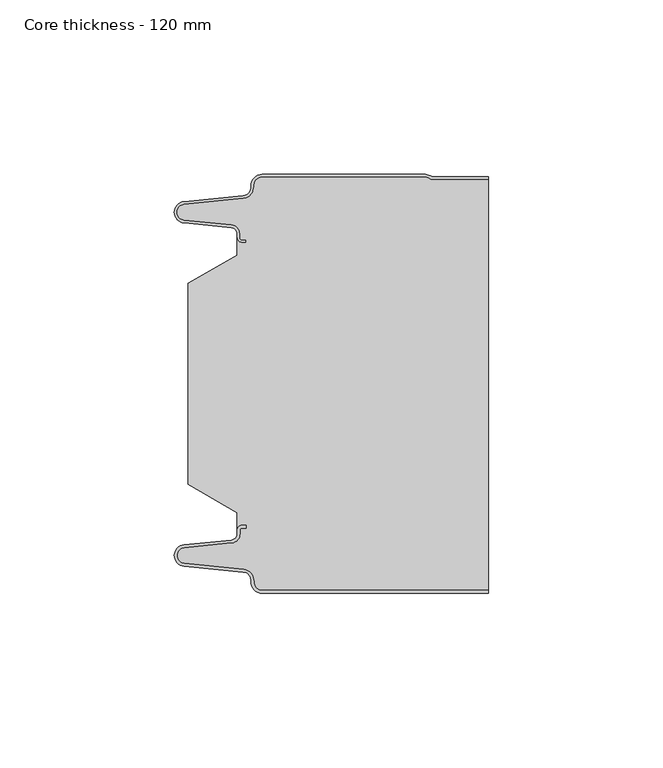
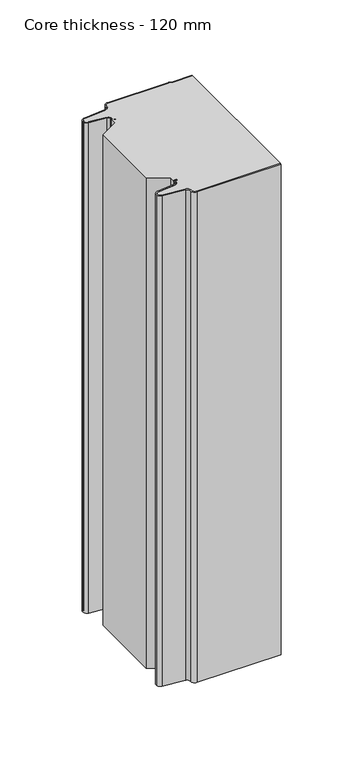
"""IFC4 building model written with IfcOpenShell, lengths in millimetres: plate geometry, Core thickness - 120 mm."""

from ifc_helpers import new_model, si_unit, frame, origin, place, context, project, spatial, polyline, circle_curve, source, transform, mapped, element, save
from ifc_brep_helpers import plane_surface, cylinder_surface, revolved_surface, advanced_brep


def core_thickness_120_mm_5e0bef6f(model_context):
    return source(origin(), model_context, "Body", "AdvancedBrep", [
        advanced_brep(
        [(-19.8000003, -119.9996949, 0.0), (-22.9923632, -116.5787437, 0.0), (-25.2560431, -113.9171154, 0.0), (-42.2115315, -112.2546153, 0.0), (-44.9999998, -109.1776715, 0.0), (-42.2115315, -106.1007278, 0.0), (-28.6195785, -104.7680252, 0.0), (-26.9952277, -102.9766159, 0.0), (-26.9952277, -101.8996949, 0.0), (-25.5952277, -100.4996949, 0.0), (-24.4952277, -100.4996949, 0.0), (-24.4952277, -101.2996949, 0.0), (-25.5952277, -101.2996949, 0.0), (-26.1952277, -101.8996949, 0.0), (-26.1952277, -102.9766159, 0.0), (-28.5415122, -105.5642071, 0.0), (-42.1334652, -106.8969097, 0.0), (-44.1999997, -109.1776715, 0.0), (-42.1334652, -111.4584333, 0.0), (-25.1779767, -113.1209335, 0.0), (-22.2078761, -116.6330399, 0.0), (-19.8000003, -119.1996949, 0.0), (44.9999998, -119.2, 0.0), (44.9999998, -119.9996949, 0.0), (-19.8000003, -119.1996949, 400.0), (-22.1942724, -116.6339815, 400.0), (-25.1779767, -113.1209335, 400.0), (-42.1334652, -111.4584333, 400.0), (-44.1999997, -109.1776715, 400.0), (-42.1334652, -106.8969097, 400.0), (-28.5415122, -105.5642071, 400.0), (-26.1952277, -102.9766159, 400.0), (-26.1952277, -101.8996949, 400.0), (-25.5952277, -101.2996949, 400.0), (-24.4952277, -101.2996949, 400.0), (-24.4952277, -100.4996949, 400.0), (-25.5952277, -100.4996949, 400.0), (-26.9952277, -101.8996949, 400.0), (-26.9952277, -102.9766159, 400.0), (-28.6195785, -104.7680252, 400.0), (-42.2115315, -106.1007278, 400.0), (-44.9999998, -109.1776715, 400.0), (-42.2115315, -112.2546153, 400.0), (-25.2560431, -113.9171154, 400.0), (-23.0059668, -116.5778021, 400.0), (-19.8000003, -119.9996949, 400.0), (44.9999998, -119.9996949, 400.0), (44.9999998, -119.2, 400.0)],
        [
            (0, 1, circle_curve(frame((-19.8000003, -116.7996949, 0.0), z_axis=(0.0, 0.0, -1.0), x_axis=(1.0, 0.0, 0.0)), 3.2)),
            (1, 2, circle_curve(frame((-25.5000003, -116.4051839, 0.0), z_axis=(0.0, 0.0, 1.0), x_axis=(1.0, 0.0, 0.0)), 2.5)),
            (2, 3),
            (3, 4, circle_curve(frame((-41.9100003, -109.1793626, 0.0), z_axis=(0.0, 0.0, -1.0), x_axis=(1.0, 0.0, 0.0)), 3.09)),
            (4, 5, circle_curve(frame((-41.9100003, -109.1759805, 0.0), z_axis=(0.0, 0.0, -1.0), x_axis=(1.0, 0.0, 0.0)), 3.09)),
            (5, 6),
            (6, 7, circle_curve(frame((-28.7952277, -102.9766159, 0.0), z_axis=(0.0, 0.0, 1.0), x_axis=(1.0, 0.0, 0.0)), 1.8)),
            (7, 8),
            (8, 9, circle_curve(frame((-25.5952277, -101.8996949, 0.0), z_axis=(0.0, 0.0, -1.0), x_axis=(1.0, 0.0, 0.0)), 1.4)),
            (9, 10),
            (10, 11),
            (11, 12),
            (12, 13, circle_curve(frame((-25.5952277, -101.8996949, 0.0), z_axis=(0.0, 0.0, 1.0), x_axis=(1.0, 0.0, 0.0)), 0.6)),
            (13, 14),
            (14, 15, circle_curve(frame((-28.7952277, -102.9766159, 0.0), z_axis=(0.0, 0.0, -1.0), x_axis=(1.0, 0.0, 0.0)), 2.6)),
            (15, 16),
            (16, 17, circle_curve(frame((-41.9100003, -109.1759805, 0.0), z_axis=(0.0, 0.0, 1.0), x_axis=(1.0, 0.0, 0.0)), 2.29)),
            (17, 18, circle_curve(frame((-41.9100003, -109.1793626, 0.0), z_axis=(0.0, 0.0, 1.0), x_axis=(1.0, 0.0, 0.0)), 2.29)),
            (18, 19),
            (19, 20, circle_curve(frame((-25.5000003, -116.4051839, 0.0), z_axis=(0.0, 0.0, -1.0), x_axis=(1.0, 0.0, 0.0)), 3.3)),
            (20, 21, circle_curve(frame((-19.8000003, -116.7996949, 0.0), z_axis=(0.0, 0.0, 1.0), x_axis=(1.0, 0.0, 0.0)), 2.4)),
            (21, 22),
            (22, 23),
            (23, 0),
            (24, 25, circle_curve(frame((-19.8000003, -116.7996949, 400.0), z_axis=(0.0, 0.0, -1.0), x_axis=(1.0, 0.0, 0.0)), 2.4)),
            (25, 26, circle_curve(frame((-25.5000003, -116.4051839, 400.0), z_axis=(0.0, 0.0, 1.0), x_axis=(1.0, 0.0, 0.0)), 3.3)),
            (26, 27),
            (27, 28, circle_curve(frame((-41.9100003, -109.1793626, 400.0), z_axis=(0.0, 0.0, -1.0), x_axis=(1.0, 0.0, 0.0)), 2.29)),
            (28, 29, circle_curve(frame((-41.9100003, -109.1759805, 400.0), z_axis=(0.0, 0.0, -1.0), x_axis=(1.0, 0.0, 0.0)), 2.29)),
            (29, 30),
            (30, 31, circle_curve(frame((-28.7952277, -102.9766159, 400.0), z_axis=(0.0, 0.0, 1.0), x_axis=(1.0, 0.0, 0.0)), 2.6)),
            (31, 32),
            (32, 33, circle_curve(frame((-25.5952277, -101.8996949, 400.0), z_axis=(0.0, 0.0, -1.0), x_axis=(1.0, 0.0, 0.0)), 0.6)),
            (33, 34),
            (34, 35),
            (35, 36),
            (36, 37, circle_curve(frame((-25.5952277, -101.8996949, 400.0), z_axis=(0.0, 0.0, 1.0), x_axis=(1.0, 0.0, 0.0)), 1.4)),
            (37, 38),
            (38, 39, circle_curve(frame((-28.7952277, -102.9766159, 400.0), z_axis=(0.0, 0.0, -1.0), x_axis=(1.0, 0.0, 0.0)), 1.8)),
            (39, 40),
            (40, 41, circle_curve(frame((-41.9100003, -109.1759805, 400.0), z_axis=(0.0, 0.0, 1.0), x_axis=(1.0, 0.0, 0.0)), 3.09)),
            (41, 42, circle_curve(frame((-41.9100003, -109.1793626, 400.0), z_axis=(0.0, 0.0, 1.0), x_axis=(1.0, 0.0, 0.0)), 3.09)),
            (42, 43),
            (43, 44, circle_curve(frame((-25.5000003, -116.4051839, 400.0), z_axis=(0.0, 0.0, -1.0), x_axis=(1.0, 0.0, 0.0)), 2.5)),
            (44, 45, circle_curve(frame((-19.8000003, -116.7996949, 400.0), z_axis=(0.0, 0.0, 1.0), x_axis=(1.0, 0.0, 0.0)), 3.2)),
            (45, 46),
            (46, 47),
            (47, 24),
            (21, 24),
            (47, 22),
            (20, 25),
            (19, 26),
            (18, 27),
            (17, 28),
            (16, 29),
            (15, 30),
            (14, 31),
            (13, 32),
            (12, 33),
            (11, 34),
            (10, 35),
            (9, 36),
            (8, 37),
            (7, 38),
            (6, 39),
            (5, 40),
            (4, 41),
            (3, 42),
            (2, 43),
            (1, 44),
            (0, 45),
            (23, 46),
        ],
        [
            plane_surface(frame((-44.9999998, -120.0, 0.0), z_axis=(0.0, 0.0, -1.0), x_axis=(0.0, 1.0, 0.0))),
            plane_surface(frame((-44.9999998, -120.0, 400.0), z_axis=(0.0, 0.0, 1.0), x_axis=(0.0, 1.0, 0.0))),
            plane_surface(frame((-19.8000003, -119.2, 0.0), z_axis=(0.0, 1.0, 0.0), x_axis=(0.0, 0.0, 1.0))),
            revolved_surface(polyline([(-17.400000300000002, -116.7996949, 400.0), (-17.400000300000002, -116.7996949, 0.0)]), (-19.8000003, -116.7996949, 0.0), (0.0, 0.0, 1.0)),
            cylinder_surface(frame((-25.5000003, -116.4051839, 0.0), z_axis=(0.0, 0.0, -1.0), x_axis=(1.0, 0.0, 0.0)), 3.3),
            plane_surface(frame((-42.1334652, -111.4584333, 0.0), z_axis=(0.09758289975914758, 0.9952273999818314, 0.0), x_axis=(0.0, 0.0, 1.0))),
            revolved_surface(polyline([(-39.6200003, -109.1793626, 400.0), (-39.6200003, -109.1793626, 0.0)]), (-41.9100003, -109.1793626, 0.0), (0.0, 0.0, 1.0)),
            revolved_surface(polyline([(-39.6200003, -109.1759805, 400.0), (-39.6200003, -109.1759805, 0.0)]), (-41.9100003, -109.1759805, 0.0), (0.0, 0.0, 1.0)),
            plane_surface(frame((-28.5415122, -105.5642071, 0.0), z_axis=(0.09758289975914383, -0.9952273999818317, 0.0), x_axis=(0.0, 0.0, 1.0))),
            cylinder_surface(frame((-28.7952277, -102.9766159, 0.0), z_axis=(0.0, 0.0, -1.0), x_axis=(1.0, 0.0, 0.0)), 2.6),
            plane_surface(frame((-26.1952277, -101.8996949, 0.0), z_axis=(1.0, 0.0, 0.0), x_axis=(0.0, 0.0, 1.0))),
            revolved_surface(polyline([(-24.995227699999997, -101.8996949, 400.0), (-24.995227699999997, -101.8996949, 0.0)]), (-25.5952277, -101.8996949, 0.0), (0.0, 0.0, 1.0)),
            plane_surface(frame((-24.4952277, -101.2996949, 0.0), z_axis=(0.0, -1.0, 0.0), x_axis=(0.0, 0.0, 1.0))),
            plane_surface(frame((-24.4952277, -100.4996949, 0.0), z_axis=(1.0, 0.0, 0.0), x_axis=(0.0, 0.0, 1.0))),
            plane_surface(frame((-25.5952277, -100.4996949, 0.0), z_axis=(0.0, 1.0, 0.0), x_axis=(0.0, 0.0, 1.0))),
            cylinder_surface(frame((-25.5952277, -101.8996949, 0.0), z_axis=(0.0, 0.0, -1.0), x_axis=(1.0, 0.0, 0.0)), 1.4),
            plane_surface(frame((-26.9952277, -102.9766159, 0.0), z_axis=(-1.0, 0.0, 0.0), x_axis=(0.0, 0.0, 1.0))),
            revolved_surface(polyline([(-26.9952277, -102.9766159, 400.0), (-26.9952277, -102.9766159, 0.0)]), (-28.7952277, -102.9766159, 0.0), (0.0, 0.0, 1.0)),
            plane_surface(frame((-42.2115315, -106.1007278, 0.0), z_axis=(-0.09758289975914387, 0.9952273999818317, 0.0), x_axis=(0.0, 0.0, 1.0))),
            cylinder_surface(frame((-41.9100003, -109.1759805, 0.0), z_axis=(0.0, 0.0, -1.0), x_axis=(1.0, 0.0, 0.0)), 3.09),
            cylinder_surface(frame((-41.9100003, -109.1793626, 0.0), z_axis=(0.0, 0.0, -1.0), x_axis=(1.0, 0.0, 0.0)), 3.09),
            plane_surface(frame((-25.2560431, -113.9171154, 0.0), z_axis=(-0.09758289975914762, -0.9952273999818314, 0.0), x_axis=(0.0, 0.0, 1.0))),
            revolved_surface(polyline([(-23.0000003, -116.4051839, 400.0), (-23.0000003, -116.4051839, 0.0)]), (-25.5000003, -116.4051839, 0.0), (0.0, 0.0, 1.0)),
            cylinder_surface(frame((-19.8000003, -116.7996949, 0.0), z_axis=(0.0, 0.0, -1.0), x_axis=(1.0, 0.0, 0.0)), 3.2),
            plane_surface(frame((1121.009932, -119.9996949, 0.0), z_axis=(0.0, -1.0, 0.0), x_axis=(0.0, 0.0, 1.0))),
            plane_surface(frame((44.9999998, 180.0, 400.0), z_axis=(1.0, 0.0, 0.0), x_axis=(0.0, 0.0, -1.0))),
        ],
        [
            (0, [[1, 2, 3, 4, 5, 6, 7, 8, 9, 10, 11, 12, 13, 14, 15, 16, 17, 18, 19, 20, 21, 22, 23, 24]]),
            (1, [[25, 26, 27, 28, 29, 30, 31, 32, 33, 34, 35, 36, 37, 38, 39, 40, 41, 42, 43, 44, 45, 46, 47, 48]]),
            (2, [[49, -48, 50, -22]]),
            (3, [[-21, 51, -25, -49]]),
            (4, [[-20, 52, -26, -51]]),
            (5, [[-19, 53, -27, -52]]),
            (6, [[-18, 54, -28, -53]]),
            (7, [[-17, 55, -29, -54]]),
            (8, [[-16, 56, -30, -55]]),
            (9, [[-15, 57, -31, -56]]),
            (10, [[-14, 58, -32, -57]]),
            (11, [[-13, 59, -33, -58]]),
            (12, [[-12, 60, -34, -59]]),
            (13, [[-11, 61, -35, -60]]),
            (14, [[-10, 62, -36, -61]]),
            (15, [[-9, 63, -37, -62]]),
            (16, [[-8, 64, -38, -63]]),
            (17, [[-7, 65, -39, -64]]),
            (18, [[-6, 66, -40, -65]]),
            (19, [[-5, 67, -41, -66]]),
            (20, [[-4, 68, -42, -67]]),
            (21, [[-3, 69, -43, -68]]),
            (22, [[-2, 70, -44, -69]]),
            (23, [[-1, 71, -45, -70]]),
            (24, [[-71, -24, 72, -46]]),
            (25, [[-23, -50, -47, -72]]),
        ],
    ),
        advanced_brep(
        [(-26.9952277, -23.1062917, 400.0), (-41.0446509, -31.1628062, 400.0), (-41.0446509, -88.7531937, 400.0), (-26.9952277, -96.8937083, 400.0), (-26.9952277, -100.4996949, 400.0), (-26.9952277, -101.8996949, 400.0), (-25.5952277, -100.4996949, 400.0), (-24.4952277, -100.4996949, 400.0), (-24.4952277, -101.2996949, 400.0), (-25.5952277, -101.2996949, 400.0), (-26.1952277, -101.8996949, 400.0), (-26.1952277, -102.9766159, 400.0), (-28.5415122, -105.5642071, 400.0), (-42.1334652, -106.8969097, 400.0), (-44.1999997, -109.1776715, 400.0), (-42.1334652, -111.4584333, 400.0), (-25.1779767, -113.1209335, 400.0), (-22.2078761, -116.6330399, 400.0), (-19.8000003, -119.1996949, 400.0), (44.9999998, -119.2, 400.0), (44.9999998, -1.5003051, 400.0), (29.4172165, -1.5003051, 400.0), (27.9978051, -1.0971009, 400.0), (26.9454197, -0.8, 400.0), (-19.8000003, -0.8, 400.0), (-22.1942724, -3.3660185, 400.0), (-25.1779767, -6.8790665, 400.0), (-42.1334652, -8.5415667, 400.0), (-44.1999997, -10.8223285, 400.0), (-42.1334652, -13.1030903, 400.0), (-28.5415122, -14.4357929, 400.0), (-26.1952277, -17.0233841, 400.0), (-26.1952277, -18.1003051, 400.0), (-25.5952277, -18.7003051, 400.0), (-24.4952277, -18.7003051, 400.0), (-24.4952277, -19.5003051, 400.0), (-25.5952277, -19.5003051, 400.0), (-26.9952277, -18.1003051, 400.0), (-26.9952277, -19.5003051, 400.0), (-26.9952277, -96.8937083, 0.0), (-41.0446509, -88.7531937, 0.0), (-41.0446509, -31.1628062, 0.0), (-26.9952277, -23.1062917, 0.0), (-26.9952277, -19.5003051, 0.0), (-26.9952277, -18.1003051, 0.0), (-25.5952277, -19.5003051, 0.0), (-24.4952277, -19.5003051, 0.0), (-24.4952277, -18.7003051, 0.0), (-25.5952277, -18.7003051, 0.0), (-26.1952277, -18.1003051, 0.0), (-26.1952277, -17.0233841, 0.0), (-28.5415122, -14.4357929, 0.0), (-42.1334652, -13.1030903, 0.0), (-44.1999997, -10.8223285, 0.0), (-42.1334652, -8.5415667, 0.0), (-25.1779767, -6.8790665, 0.0), (-22.2078761, -3.3669601, 0.0), (-19.8000003, -0.8003051, 0.0), (26.9454197, -0.8, 0.0), (27.9968355, -1.0986697, 0.0), (29.4172165, -1.5003051, 0.0), (44.9999998, -1.5003051, 0.0), (44.9999998, -119.2, 0.0), (-19.8000003, -119.2, 0.0), (-22.1942724, -116.6339815, 0.0), (-25.1779767, -113.1209335, 0.0), (-42.1334652, -111.4584333, 0.0), (-44.1999997, -109.1776715, 0.0), (-42.1334652, -106.8969097, 0.0), (-28.5415122, -105.5642071, 0.0), (-26.1952277, -102.9766159, 0.0), (-26.1952277, -101.8996949, 0.0), (-25.5952277, -101.2996949, 0.0), (-24.4952277, -101.2996949, 0.0), (-24.4952277, -100.4996949, 0.0), (-25.5952277, -100.4996949, 0.0), (-26.9952277, -101.8996949, 0.0), (-26.9952277, -100.4996949, 0.0)],
        [
            (0, 1),
            (1, 2),
            (2, 3),
            (3, 4),
            (4, 5),
            (5, 6, circle_curve(frame((-25.5952277, -101.8996949, 400.0), z_axis=(0.0, 0.0, -1.0), x_axis=(1.0, 0.0, 0.0)), 1.4)),
            (6, 7),
            (7, 8),
            (8, 9),
            (9, 10, circle_curve(frame((-25.5952277, -101.8996949, 400.0), z_axis=(0.0, 0.0, 1.0), x_axis=(1.0, 0.0, 0.0)), 0.6)),
            (10, 11),
            (11, 12, circle_curve(frame((-28.7952277, -102.9766159, 400.0), z_axis=(0.0, 0.0, -1.0), x_axis=(1.0, 0.0, 0.0)), 2.6)),
            (12, 13),
            (13, 14, circle_curve(frame((-41.9100003, -109.1759805, 400.0), z_axis=(0.0, 0.0, 1.0), x_axis=(1.0, 0.0, 0.0)), 2.29)),
            (14, 15, circle_curve(frame((-41.9100003, -109.1793626, 400.0), z_axis=(0.0, 0.0, 1.0), x_axis=(1.0, 0.0, 0.0)), 2.29)),
            (15, 16),
            (16, 17, circle_curve(frame((-25.5000003, -116.4051839, 400.0), z_axis=(0.0, 0.0, -1.0), x_axis=(1.0, 0.0, 0.0)), 3.3)),
            (17, 18, circle_curve(frame((-19.8000003, -116.7996949, 400.0), z_axis=(0.0, 0.0, 1.0), x_axis=(1.0, 0.0, 0.0)), 2.4)),
            (18, 19),
            (19, 20),
            (20, 21),
            (21, 22, circle_curve(frame((29.4172165, 1.1996949, 400.0), z_axis=(0.0, 0.0, -1.0), x_axis=(1.0, 0.0, 0.0)), 2.7)),
            (22, 23, circle_curve(frame((26.9454197, -2.8, 400.0), z_axis=(0.0, 0.0, 1.0), x_axis=(1.0, 0.0, 0.0)), 2.0)),
            (23, 24),
            (24, 25, circle_curve(frame((-19.8000003, -3.2003051, 400.0), z_axis=(0.0, 0.0, 1.0), x_axis=(1.0, 0.0, 0.0)), 2.4)),
            (25, 26, circle_curve(frame((-25.5000003, -3.5948161, 400.0), z_axis=(0.0, 0.0, -1.0), x_axis=(1.0, 0.0, 0.0)), 3.3)),
            (26, 27),
            (27, 28, circle_curve(frame((-41.9100003, -10.8206374, 400.0), z_axis=(0.0, 0.0, 1.0), x_axis=(1.0, 0.0, 0.0)), 2.29)),
            (28, 29, circle_curve(frame((-41.9100003, -10.8240195, 400.0), z_axis=(0.0, 0.0, 1.0), x_axis=(1.0, 0.0, 0.0)), 2.29)),
            (29, 30),
            (30, 31, circle_curve(frame((-28.7952277, -17.0233841, 400.0), z_axis=(0.0, 0.0, -1.0), x_axis=(1.0, 0.0, 0.0)), 2.6)),
            (31, 32),
            (32, 33, circle_curve(frame((-25.5952277, -18.1003051, 400.0), z_axis=(0.0, 0.0, 1.0), x_axis=(1.0, 0.0, 0.0)), 0.6)),
            (33, 34),
            (34, 35),
            (35, 36),
            (36, 37, circle_curve(frame((-25.5952277, -18.1003051, 400.0), z_axis=(0.0, 0.0, -1.0), x_axis=(1.0, 0.0, 0.0)), 1.4)),
            (37, 38),
            (38, 0),
            (39, 40),
            (40, 41),
            (41, 42),
            (42, 43),
            (43, 44),
            (44, 45, circle_curve(frame((-25.5952277, -18.1003051, 0.0), z_axis=(0.0, 0.0, 1.0), x_axis=(1.0, 0.0, 0.0)), 1.4)),
            (45, 46),
            (46, 47),
            (47, 48),
            (48, 49, circle_curve(frame((-25.5952277, -18.1003051, 0.0), z_axis=(0.0, 0.0, -1.0), x_axis=(1.0, 0.0, 0.0)), 0.6)),
            (49, 50),
            (50, 51, circle_curve(frame((-28.7952277, -17.0233841, 0.0), z_axis=(0.0, 0.0, 1.0), x_axis=(1.0, 0.0, 0.0)), 2.6)),
            (51, 52),
            (52, 53, circle_curve(frame((-41.9100003, -10.8240195, 0.0), z_axis=(0.0, 0.0, -1.0), x_axis=(1.0, 0.0, 0.0)), 2.29)),
            (53, 54, circle_curve(frame((-41.9100003, -10.8206374, 0.0), z_axis=(0.0, 0.0, -1.0), x_axis=(1.0, 0.0, 0.0)), 2.29)),
            (54, 55),
            (55, 56, circle_curve(frame((-25.5000003, -3.5948161, 0.0), z_axis=(0.0, 0.0, 1.0), x_axis=(1.0, 0.0, 0.0)), 3.3)),
            (56, 57, circle_curve(frame((-19.8000003, -3.2003051, 0.0), z_axis=(0.0, 0.0, -1.0), x_axis=(1.0, 0.0, 0.0)), 2.4)),
            (57, 58),
            (58, 59, circle_curve(frame((26.9454197, -2.8, 0.0), z_axis=(0.0, 0.0, -1.0), x_axis=(1.0, 0.0, 0.0)), 2.0)),
            (59, 60, circle_curve(frame((29.4172165, 1.1996949, 0.0), z_axis=(0.0, 0.0, 1.0), x_axis=(1.0, 0.0, 0.0)), 2.7)),
            (60, 61),
            (61, 62),
            (62, 63),
            (63, 64, circle_curve(frame((-19.8000003, -116.7996949, 0.0), z_axis=(0.0, 0.0, -1.0), x_axis=(1.0, 0.0, 0.0)), 2.4)),
            (64, 65, circle_curve(frame((-25.5000003, -116.4051839, 0.0), z_axis=(0.0, 0.0, 1.0), x_axis=(1.0, 0.0, 0.0)), 3.3)),
            (65, 66),
            (66, 67, circle_curve(frame((-41.9100003, -109.1793626, 0.0), z_axis=(0.0, 0.0, -1.0), x_axis=(1.0, 0.0, 0.0)), 2.29)),
            (67, 68, circle_curve(frame((-41.9100003, -109.1759805, 0.0), z_axis=(0.0, 0.0, -1.0), x_axis=(1.0, 0.0, 0.0)), 2.29)),
            (68, 69),
            (69, 70, circle_curve(frame((-28.7952277, -102.9766159, 0.0), z_axis=(0.0, 0.0, 1.0), x_axis=(1.0, 0.0, 0.0)), 2.6)),
            (70, 71),
            (71, 72, circle_curve(frame((-25.5952277, -101.8996949, 0.0), z_axis=(0.0, 0.0, -1.0), x_axis=(1.0, 0.0, 0.0)), 0.6)),
            (72, 73),
            (73, 74),
            (74, 75),
            (75, 76, circle_curve(frame((-25.5952277, -101.8996949, 0.0), z_axis=(0.0, 0.0, 1.0), x_axis=(1.0, 0.0, 0.0)), 1.4)),
            (76, 77),
            (77, 39),
            (42, 0),
            (37, 44),
            (1, 41),
            (40, 2),
            (39, 3),
            (76, 5),
            (18, 63),
            (62, 19),
            (17, 64),
            (16, 65),
            (15, 66),
            (14, 67),
            (13, 68),
            (12, 69),
            (11, 70),
            (10, 71),
            (9, 72),
            (8, 73),
            (7, 74),
            (6, 75),
            (57, 24),
            (23, 58),
            (22, 59),
            (21, 60),
            (20, 61),
            (36, 45),
            (35, 46),
            (34, 47),
            (33, 48),
            (32, 49),
            (31, 50),
            (30, 51),
            (29, 52),
            (28, 53),
            (27, 54),
            (26, 55),
            (25, 56),
        ],
        [
            plane_surface(frame((-44.9999998, 0.0, 400.0), z_axis=(0.0, 0.0, 1.0), x_axis=(0.0, -1.0, 0.0))),
            plane_surface(frame((-44.9999998, 0.0, 0.0), z_axis=(0.0, 0.0, -1.0), x_axis=(0.0, -1.0, 0.0))),
            plane_surface(frame((-26.9952277, -17.0229218, 400.0), z_axis=(-1.0, 0.0, 0.0), x_axis=(0.0, 0.0, -1.0))),
            plane_surface(frame((-41.0446509, -31.1628062, 400.0), z_axis=(-1.0, 0.0, 0.0), x_axis=(0.0, 0.0, -1.0))),
            plane_surface(frame((-26.9952277, -23.1062917, 400.0), z_axis=(-0.4974543664933155, 0.8674901459133322, 0.0), x_axis=(0.0, 0.0, -1.0))),
            plane_surface(frame((-41.0446509, -88.7531937, 400.0), z_axis=(-0.5013424225369607, -0.8652489672717164, 0.0), x_axis=(0.0, 0.0, -1.0))),
            plane_surface(frame((-26.9952277, -96.8937083, 400.0), z_axis=(-1.0, 0.0, 0.0), x_axis=(0.0, 0.0, -1.0))),
            plane_surface(frame((1121.009932, -119.2, 530.0), z_axis=(0.0, -1.0, 0.0), x_axis=(0.0, 0.0, -1.0))),
            cylinder_surface(frame((-19.8000003, -116.7996949, 530.0), z_axis=(0.0, 0.0, -1.0), x_axis=(1.0, 0.0, 0.0)), 2.4),
            revolved_surface(polyline([(-22.2000003, -116.4051839, 400.0), (-22.2000003, -116.4051839, 0.0)]), (-25.5000003, -116.4051839, 530.0), (0.0, 0.0, 1.0)),
            plane_surface(frame((-25.1779767, -113.1209335, 530.0), z_axis=(-0.09758289975914758, -0.9952273999818314, 0.0), x_axis=(0.0, 0.0, -1.0))),
            cylinder_surface(frame((-41.9100003, -109.1793626, 530.0), z_axis=(0.0, 0.0, -1.0), x_axis=(1.0, 0.0, 0.0)), 2.29),
            cylinder_surface(frame((-41.9100003, -109.1759805, 530.0), z_axis=(0.0, 0.0, -1.0), x_axis=(1.0, 0.0, 0.0)), 2.29),
            plane_surface(frame((-42.1334652, -106.8969097, 530.0), z_axis=(-0.09758289975914383, 0.9952273999818317, 0.0), x_axis=(0.0, 0.0, -1.0))),
            revolved_surface(polyline([(-26.1952277, -102.9766159, 400.0), (-26.1952277, -102.9766159, 0.0)]), (-28.7952277, -102.9766159, 530.0), (0.0, 0.0, 1.0)),
            plane_surface(frame((-26.1952277, -102.9766159, 530.0), z_axis=(-1.0, 0.0, 0.0), x_axis=(0.0, 0.0, -1.0))),
            cylinder_surface(frame((-25.5952277, -101.8996949, 530.0), z_axis=(0.0, 0.0, -1.0), x_axis=(1.0, 0.0, 0.0)), 0.6),
            plane_surface(frame((-25.5952277, -101.2996949, 530.0), z_axis=(0.0, 1.0, 0.0), x_axis=(0.0, 0.0, -1.0))),
            plane_surface(frame((-24.4952277, -101.2996949, 530.0), z_axis=(-1.0, 0.0, 0.0), x_axis=(0.0, 0.0, -1.0))),
            plane_surface(frame((-24.4952277, -100.4996949, 530.0), z_axis=(0.0, -1.0, 0.0), x_axis=(0.0, 0.0, -1.0))),
            revolved_surface(polyline([(-24.1952277, -101.8996949, 400.0), (-24.1952277, -101.8996949, 0.0)]), (-25.5952277, -101.8996949, 530.0), (0.0, 0.0, 1.0)),
            plane_surface(frame((-19.8000003, -0.8, 530.0), z_axis=(0.0, 1.0, 0.0), x_axis=(0.0, 0.0, -1.0))),
            cylinder_surface(frame((26.9454197, -2.8, 530.0), z_axis=(0.0, 0.0, -1.0), x_axis=(1.0, 0.0, 0.0)), 2.0),
            revolved_surface(polyline([(32.1172165, 1.1996949, 400.0), (32.1172165, 1.1996949, 0.0)]), (29.4172165, 1.1996949, 530.0), (0.0, 0.0, 1.0)),
            plane_surface(frame((29.4172165, -1.5003051, 530.0), z_axis=(0.0, 1.0, 0.0), x_axis=(0.0, 0.0, -1.0))),
            revolved_surface(polyline([(-24.1952277, -18.1003051, 400.0), (-24.1952277, -18.1003051, 0.0)]), (-25.5952277, -18.1003051, 530.0), (0.0, 0.0, 1.0)),
            plane_surface(frame((-25.5952277, -19.5003051, 530.0), z_axis=(0.0, 1.0, 0.0), x_axis=(0.0, 0.0, -1.0))),
            plane_surface(frame((-24.4952277, -19.5003051, 530.0), z_axis=(-1.0, 0.0, 0.0), x_axis=(0.0, 0.0, -1.0))),
            plane_surface(frame((-24.4952277, -18.7003051, 530.0), z_axis=(0.0, -1.0, 0.0), x_axis=(0.0, 0.0, -1.0))),
            cylinder_surface(frame((-25.5952277, -18.1003051, 530.0), z_axis=(0.0, 0.0, -1.0), x_axis=(1.0, 0.0, 0.0)), 0.6),
            plane_surface(frame((-26.1952277, -18.1003051, 530.0), z_axis=(-1.0, 0.0, 0.0), x_axis=(0.0, 0.0, -1.0))),
            revolved_surface(polyline([(-26.1952277, -17.0233841, 400.0), (-26.1952277, -17.0233841, 0.0)]), (-28.7952277, -17.0233841, 530.0), (0.0, 0.0, 1.0)),
            plane_surface(frame((-28.5415122, -14.4357929, 530.0), z_axis=(-0.09758289975914705, -0.9952273999818314, 0.0), x_axis=(0.0, 0.0, -1.0))),
            cylinder_surface(frame((-41.9100003, -10.8240195, 530.0), z_axis=(0.0, 0.0, -1.0), x_axis=(1.0, 0.0, 0.0)), 2.29),
            cylinder_surface(frame((-41.9100003, -10.8206374, 530.0), z_axis=(0.0, 0.0, -1.0), x_axis=(1.0, 0.0, 0.0)), 2.29),
            plane_surface(frame((-42.1334652, -8.5415667, 530.0), z_axis=(-0.09758289975914436, 0.9952273999818317, 0.0), x_axis=(0.0, 0.0, -1.0))),
            revolved_surface(polyline([(-22.2000003, -3.5948161, 400.0), (-22.2000003, -3.5948161, 0.0)]), (-25.5000003, -3.5948161, 530.0), (0.0, 0.0, 1.0)),
            cylinder_surface(frame((-19.8000003, -3.2003051, 530.0), z_axis=(0.0, 0.0, -1.0), x_axis=(1.0, 0.0, 0.0)), 2.4),
            plane_surface(frame((44.9999998, 180.0, 400.0), z_axis=(1.0, 0.0, 0.0), x_axis=(0.0, 0.0, -1.0))),
        ],
        [
            (0, [[1, 2, 3, 4, 5, 6, 7, 8, 9, 10, 11, 12, 13, 14, 15, 16, 17, 18, 19, 20, 21, 22, 23, 24, 25, 26, 27, 28, 29, 30, 31, 32, 33, 34, 35, 36, 37, 38, 39]]),
            (1, [[40, 41, 42, 43, 44, 45, 46, 47, 48, 49, 50, 51, 52, 53, 54, 55, 56, 57, 58, 59, 60, 61, 62, 63, 64, 65, 66, 67, 68, 69, 70, 71, 72, 73, 74, 75, 76, 77, 78]]),
            (2, [[79, -39, -38, 80, -44, -43]]),
            (3, [[-2, 81, -41, 82]]),
            (4, [[-1, -79, -42, -81]]),
            (5, [[-3, -82, -40, 83]]),
            (6, [[-83, -78, -77, 84, -5, -4]]),
            (7, [[85, -63, 86, -19]]),
            (8, [[-85, -18, 87, -64]]),
            (9, [[-87, -17, 88, -65]]),
            (10, [[-88, -16, 89, -66]]),
            (11, [[-89, -15, 90, -67]]),
            (12, [[-90, -14, 91, -68]]),
            (13, [[-91, -13, 92, -69]]),
            (14, [[-92, -12, 93, -70]]),
            (15, [[-93, -11, 94, -71]]),
            (16, [[-94, -10, 95, -72]]),
            (17, [[-95, -9, 96, -73]]),
            (18, [[-96, -8, 97, -74]]),
            (19, [[-97, -7, 98, -75]]),
            (20, [[-98, -6, -84, -76]]),
            (21, [[99, -24, 100, -58]]),
            (22, [[-100, -23, 101, -59]]),
            (23, [[-101, -22, 102, -60]]),
            (24, [[-102, -21, 103, -61]]),
            (25, [[104, -45, -80, -37]]),
            (26, [[-104, -36, 105, -46]]),
            (27, [[-105, -35, 106, -47]]),
            (28, [[-106, -34, 107, -48]]),
            (29, [[-107, -33, 108, -49]]),
            (30, [[-108, -32, 109, -50]]),
            (31, [[-109, -31, 110, -51]]),
            (32, [[-110, -30, 111, -52]]),
            (33, [[-111, -29, 112, -53]]),
            (34, [[-112, -28, 113, -54]]),
            (35, [[-113, -27, 114, -55]]),
            (36, [[-114, -26, 115, -56]]),
            (37, [[-99, -57, -115, -25]]),
            (38, [[-86, -62, -103, -20]]),
        ],
    ),
        advanced_brep(
        [(27.9968355, -1.0986697, 0.0), (26.9454197, -0.8, 0.0), (-19.8000003, -0.8, 0.0), (-22.1942724, -3.3660185, 0.0), (-25.1779767, -6.8790665, 0.0), (-42.1334652, -8.5415667, 0.0), (-44.1999997, -10.8223285, 0.0), (-42.1334652, -13.1030903, 0.0), (-28.5415122, -14.4357929, 0.0), (-26.1952277, -17.0233841, 0.0), (-26.1952277, -18.1003051, 0.0), (-25.5952277, -18.7003051, 0.0), (-24.4952277, -18.7003051, 0.0), (-24.4952277, -19.5003051, 0.0), (-25.5952277, -19.5003051, 0.0), (-26.9952277, -18.1003051, 0.0), (-26.9952277, -17.0233841, 0.0), (-28.6195785, -15.2319748, 0.0), (-42.2115315, -13.8992722, 0.0), (-44.9999998, -10.8223285, 0.0), (-42.2115315, -7.7453847, 0.0), (-25.2560431, -6.0828846, 0.0), (-23.0059668, -3.4221979, 0.0), (-19.8000003, -0.0003051, 0.0), (26.9454197, -0.0003051, 0.0), (28.3647528, -0.4034608, 0.0), (29.4172165, -0.7003051, 0.0), (44.9999998, -0.7003051, 0.0), (44.9999998, -1.5003051, 0.0), (29.4172165, -1.5003051, 0.0), (27.9978051, -1.0971009, 400.0), (29.4172165, -1.5003051, 400.0), (44.9999998, -1.5003051, 400.0), (44.9999998, -0.7003051, 400.0), (29.4172165, -0.7003051, 400.0), (28.3658586, -0.4016712, 400.0), (26.9454197, -0.0003051, 400.0), (-19.8000003, -0.0003051, 400.0), (-22.9923632, -3.4212563, 400.0), (-25.2560431, -6.0828846, 400.0), (-42.2115315, -7.7453847, 400.0), (-44.9999998, -10.8223285, 400.0), (-42.2115315, -13.8992722, 400.0), (-28.6195785, -15.2319748, 400.0), (-26.9952277, -17.0233841, 400.0), (-26.9952277, -18.1003051, 400.0), (-25.5952277, -19.5003051, 400.0), (-24.4952277, -19.5003051, 400.0), (-24.4952277, -18.7003051, 400.0), (-25.5952277, -18.7003051, 400.0), (-26.1952277, -18.1003051, 400.0), (-26.1952277, -17.0233841, 400.0), (-28.5415122, -14.4357929, 400.0), (-42.1334652, -13.1030903, 400.0), (-44.1999997, -10.8223285, 400.0), (-42.1334652, -8.5415667, 400.0), (-25.1779767, -6.8790665, 400.0), (-22.2078761, -3.3669601, 400.0), (-19.8000003, -0.8003051, 400.0), (26.9454197, -0.8, 400.0)],
        [
            (0, 1, circle_curve(frame((26.9454197, -2.8, 0.0), z_axis=(0.0, 0.0, 1.0), x_axis=(1.0, 0.0, 0.0)), 2.0)),
            (1, 2),
            (2, 3, circle_curve(frame((-19.8000003, -3.2003051, 0.0), z_axis=(0.0, 0.0, 1.0), x_axis=(1.0, 0.0, 0.0)), 2.4)),
            (3, 4, circle_curve(frame((-25.5000003, -3.5948161, 0.0), z_axis=(0.0, 0.0, -1.0), x_axis=(1.0, 0.0, 0.0)), 3.3)),
            (4, 5),
            (5, 6, circle_curve(frame((-41.9100003, -10.8206374, 0.0), z_axis=(0.0, 0.0, 1.0), x_axis=(1.0, 0.0, 0.0)), 2.29)),
            (6, 7, circle_curve(frame((-41.9100003, -10.8240195, 0.0), z_axis=(0.0, 0.0, 1.0), x_axis=(1.0, 0.0, 0.0)), 2.29)),
            (7, 8),
            (8, 9, circle_curve(frame((-28.7952277, -17.0233841, 0.0), z_axis=(0.0, 0.0, -1.0), x_axis=(1.0, 0.0, 0.0)), 2.6)),
            (9, 10),
            (10, 11, circle_curve(frame((-25.5952277, -18.1003051, 0.0), z_axis=(0.0, 0.0, 1.0), x_axis=(1.0, 0.0, 0.0)), 0.6)),
            (11, 12),
            (12, 13),
            (13, 14),
            (14, 15, circle_curve(frame((-25.5952277, -18.1003051, 0.0), z_axis=(0.0, 0.0, -1.0), x_axis=(1.0, 0.0, 0.0)), 1.4)),
            (15, 16),
            (16, 17, circle_curve(frame((-28.7952277, -17.0233841, 0.0), z_axis=(0.0, 0.0, 1.0), x_axis=(1.0, 0.0, 0.0)), 1.8)),
            (17, 18),
            (18, 19, circle_curve(frame((-41.9100003, -10.8240195, 0.0), z_axis=(0.0, 0.0, -1.0), x_axis=(1.0, 0.0, 0.0)), 3.09)),
            (19, 20, circle_curve(frame((-41.9100003, -10.8206374, 0.0), z_axis=(0.0, 0.0, -1.0), x_axis=(1.0, 0.0, 0.0)), 3.09)),
            (20, 21),
            (21, 22, circle_curve(frame((-25.5000003, -3.5948161, 0.0), z_axis=(0.0, 0.0, 1.0), x_axis=(1.0, 0.0, 0.0)), 2.5)),
            (22, 23, circle_curve(frame((-19.8000003, -3.2003051, 0.0), z_axis=(0.0, 0.0, -1.0), x_axis=(1.0, 0.0, 0.0)), 3.2)),
            (23, 24),
            (24, 25, circle_curve(frame((26.9454197, -2.7003051, 0.0), z_axis=(0.0, 0.0, -1.0), x_axis=(1.0, 0.0, 0.0)), 2.7)),
            (25, 26, circle_curve(frame((29.4172165, 1.2996949, 0.0), z_axis=(0.0, 0.0, 1.0), x_axis=(1.0, 0.0, 0.0)), 2.0)),
            (26, 27),
            (27, 28),
            (28, 29),
            (29, 0, circle_curve(frame((29.4172165, 1.1996949, 0.0), z_axis=(0.0, 0.0, -1.0), x_axis=(1.0, 0.0, 0.0)), 2.7)),
            (30, 31, circle_curve(frame((29.4172165, 1.1996949, 400.0), z_axis=(0.0, 0.0, 1.0), x_axis=(1.0, 0.0, 0.0)), 2.7)),
            (31, 32),
            (32, 33),
            (33, 34),
            (34, 35, circle_curve(frame((29.4172165, 1.2996949, 400.0), z_axis=(0.0, 0.0, -1.0), x_axis=(1.0, 0.0, 0.0)), 2.0)),
            (35, 36, circle_curve(frame((26.9454197, -2.7003051, 400.0), z_axis=(0.0, 0.0, 1.0), x_axis=(1.0, 0.0, 0.0)), 2.7)),
            (36, 37),
            (37, 38, circle_curve(frame((-19.8000003, -3.2003051, 400.0), z_axis=(0.0, 0.0, 1.0), x_axis=(1.0, 0.0, 0.0)), 3.2)),
            (38, 39, circle_curve(frame((-25.5000003, -3.5948161, 400.0), z_axis=(0.0, 0.0, -1.0), x_axis=(1.0, 0.0, 0.0)), 2.5)),
            (39, 40),
            (40, 41, circle_curve(frame((-41.9100003, -10.8206374, 400.0), z_axis=(0.0, 0.0, 1.0), x_axis=(1.0, 0.0, 0.0)), 3.09)),
            (41, 42, circle_curve(frame((-41.9100003, -10.8240195, 400.0), z_axis=(0.0, 0.0, 1.0), x_axis=(1.0, 0.0, 0.0)), 3.09)),
            (42, 43),
            (43, 44, circle_curve(frame((-28.7952277, -17.0233841, 400.0), z_axis=(0.0, 0.0, -1.0), x_axis=(1.0, 0.0, 0.0)), 1.8)),
            (44, 45),
            (45, 46, circle_curve(frame((-25.5952277, -18.1003051, 400.0), z_axis=(0.0, 0.0, 1.0), x_axis=(1.0, 0.0, 0.0)), 1.4)),
            (46, 47),
            (47, 48),
            (48, 49),
            (49, 50, circle_curve(frame((-25.5952277, -18.1003051, 400.0), z_axis=(0.0, 0.0, -1.0), x_axis=(1.0, 0.0, 0.0)), 0.6)),
            (50, 51),
            (51, 52, circle_curve(frame((-28.7952277, -17.0233841, 400.0), z_axis=(0.0, 0.0, 1.0), x_axis=(1.0, 0.0, 0.0)), 2.6)),
            (52, 53),
            (53, 54, circle_curve(frame((-41.9100003, -10.8240195, 400.0), z_axis=(0.0, 0.0, -1.0), x_axis=(1.0, 0.0, 0.0)), 2.29)),
            (54, 55, circle_curve(frame((-41.9100003, -10.8206374, 400.0), z_axis=(0.0, 0.0, -1.0), x_axis=(1.0, 0.0, 0.0)), 2.29)),
            (55, 56),
            (56, 57, circle_curve(frame((-25.5000003, -3.5948161, 400.0), z_axis=(0.0, 0.0, 1.0), x_axis=(1.0, 0.0, 0.0)), 3.3)),
            (57, 58, circle_curve(frame((-19.8000003, -3.2003051, 400.0), z_axis=(0.0, 0.0, -1.0), x_axis=(1.0, 0.0, 0.0)), 2.4)),
            (58, 59),
            (59, 30, circle_curve(frame((26.9454197, -2.8, 400.0), z_axis=(0.0, 0.0, -1.0), x_axis=(1.0, 0.0, 0.0)), 2.0)),
            (0, 30),
            (59, 1),
            (58, 2),
            (57, 3),
            (56, 4),
            (55, 5),
            (54, 6),
            (53, 7),
            (52, 8),
            (51, 9),
            (50, 10),
            (49, 11),
            (48, 12),
            (47, 13),
            (46, 14),
            (45, 15),
            (44, 16),
            (43, 17),
            (42, 18),
            (41, 19),
            (40, 20),
            (39, 21),
            (38, 22),
            (37, 23),
            (36, 24),
            (35, 25),
            (34, 26),
            (33, 27),
            (31, 29),
            (28, 32),
        ],
        [
            plane_surface(frame((-44.9999998, 0.0, 0.0), z_axis=(0.0, 0.0, -1.0), x_axis=(0.0, -1.0, 0.0))),
            plane_surface(frame((-44.9999998, 0.0, 400.0), z_axis=(0.0, 0.0, 1.0), x_axis=(0.0, -1.0, 0.0))),
            revolved_surface(polyline([(28.9454197, -2.8, 400.0), (28.9454197, -2.8, 0.0)]), (26.9454197, -2.8, 0.0), (0.0, 0.0, 1.0)),
            plane_surface(frame((26.9454197, -0.8, 0.0), z_axis=(0.0, -1.0, 0.0), x_axis=(0.0, 0.0, 1.0))),
            revolved_surface(polyline([(-17.400000300000002, -3.2003051, 400.0), (-17.400000300000002, -3.2003051, 0.0)]), (-19.8000003, -3.2003051, 0.0), (0.0, 0.0, 1.0)),
            cylinder_surface(frame((-25.5000003, -3.5948161, 0.0), z_axis=(0.0, 0.0, -1.0), x_axis=(1.0, 0.0, 0.0)), 3.3),
            plane_surface(frame((-25.1779767, -6.8790665, 0.0), z_axis=(0.09758289975914113, -0.9952273999818321, 0.0), x_axis=(0.0, 0.0, 1.0))),
            revolved_surface(polyline([(-39.6200003, -10.8206374, 400.0), (-39.6200003, -10.8206374, 0.0)]), (-41.9100003, -10.8206374, 0.0), (0.0, 0.0, 1.0)),
            revolved_surface(polyline([(-39.6200003, -10.8240195, 400.0), (-39.6200003, -10.8240195, 0.0)]), (-41.9100003, -10.8240195, 0.0), (0.0, 0.0, 1.0)),
            plane_surface(frame((-42.1334652, -13.1030903, 0.0), z_axis=(0.0975828997591503, 0.9952273999818312, 0.0), x_axis=(0.0, 0.0, 1.0))),
            cylinder_surface(frame((-28.7952277, -17.0233841, 0.0), z_axis=(0.0, 0.0, -1.0), x_axis=(1.0, 0.0, 0.0)), 2.6),
            plane_surface(frame((-26.1952277, -17.0233841, 0.0), z_axis=(1.0, 0.0, 0.0), x_axis=(0.0, 0.0, 1.0))),
            revolved_surface(polyline([(-24.995227699999997, -18.1003051, 400.0), (-24.995227699999997, -18.1003051, 0.0)]), (-25.5952277, -18.1003051, 0.0), (0.0, 0.0, 1.0)),
            plane_surface(frame((-25.5952277, -18.7003051, 0.0), z_axis=(0.0, 1.0, 0.0), x_axis=(0.0, 0.0, 1.0))),
            plane_surface(frame((-24.4952277, -18.7003051, 0.0), z_axis=(1.0, 0.0, 0.0), x_axis=(0.0, 0.0, 1.0))),
            plane_surface(frame((-24.4952277, -19.5003051, 0.0), z_axis=(0.0, -1.0, 0.0), x_axis=(0.0, 0.0, 1.0))),
            cylinder_surface(frame((-25.5952277, -18.1003051, 0.0), z_axis=(0.0, 0.0, -1.0), x_axis=(1.0, 0.0, 0.0)), 1.4),
            plane_surface(frame((-26.9952277, -18.1003051, 0.0), z_axis=(-1.0, 0.0, 0.0), x_axis=(0.0, 0.0, 1.0))),
            revolved_surface(polyline([(-26.9952277, -17.0233841, 400.0), (-26.9952277, -17.0233841, 0.0)]), (-28.7952277, -17.0233841, 0.0), (0.0, 0.0, 1.0)),
            plane_surface(frame((-28.6195785, -15.2319748, 0.0), z_axis=(-0.09758289975915034, -0.9952273999818312, 0.0), x_axis=(0.0, 0.0, 1.0))),
            cylinder_surface(frame((-41.9100003, -10.8240195, 0.0), z_axis=(0.0, 0.0, -1.0), x_axis=(1.0, 0.0, 0.0)), 3.09),
            cylinder_surface(frame((-41.9100003, -10.8206374, 0.0), z_axis=(0.0, 0.0, -1.0), x_axis=(1.0, 0.0, 0.0)), 3.09),
            plane_surface(frame((-42.2115315, -7.7453847, 0.0), z_axis=(-0.09758289975914117, 0.9952273999818321, 0.0), x_axis=(0.0, 0.0, 1.0))),
            revolved_surface(polyline([(-23.0000003, -3.5948161, 400.0), (-23.0000003, -3.5948161, 0.0)]), (-25.5000003, -3.5948161, 0.0), (0.0, 0.0, 1.0)),
            cylinder_surface(frame((-19.8000003, -3.2003051, 0.0), z_axis=(0.0, 0.0, -1.0), x_axis=(1.0, 0.0, 0.0)), 3.2),
            plane_surface(frame((-19.8000003, -0.0003051, 0.0), z_axis=(0.0, 1.0, 0.0), x_axis=(0.0, 0.0, 1.0))),
            cylinder_surface(frame((26.9454197, -2.7003051, 0.0), z_axis=(0.0, 0.0, -1.0), x_axis=(1.0, 0.0, 0.0)), 2.7),
            revolved_surface(polyline([(31.4172165, 1.2996949, 400.0), (31.4172165, 1.2996949, 0.0)]), (29.4172165, 1.2996949, 0.0), (0.0, 0.0, 1.0)),
            plane_surface(frame((29.4172165, -0.7003051, 0.0), z_axis=(0.0, 1.0, 0.0), x_axis=(0.0, 0.0, 1.0))),
            plane_surface(frame((79.5769997, -1.5003051, 0.0), z_axis=(0.0, -1.0, 0.0), x_axis=(0.0, 0.0, 1.0))),
            cylinder_surface(frame((29.4172165, 1.1996949, 0.0), z_axis=(0.0, 0.0, -1.0), x_axis=(1.0, 0.0, 0.0)), 2.7),
            plane_surface(frame((44.9999998, 180.0, 400.0), z_axis=(1.0, 0.0, 0.0), x_axis=(0.0, 0.0, -1.0))),
        ],
        [
            (0, [[1, 2, 3, 4, 5, 6, 7, 8, 9, 10, 11, 12, 13, 14, 15, 16, 17, 18, 19, 20, 21, 22, 23, 24, 25, 26, 27, 28, 29, 30]]),
            (1, [[31, 32, 33, 34, 35, 36, 37, 38, 39, 40, 41, 42, 43, 44, 45, 46, 47, 48, 49, 50, 51, 52, 53, 54, 55, 56, 57, 58, 59, 60]]),
            (2, [[-1, 61, -60, 62]]),
            (3, [[-2, -62, -59, 63]]),
            (4, [[-3, -63, -58, 64]]),
            (5, [[-4, -64, -57, 65]]),
            (6, [[-5, -65, -56, 66]]),
            (7, [[-6, -66, -55, 67]]),
            (8, [[-7, -67, -54, 68]]),
            (9, [[-8, -68, -53, 69]]),
            (10, [[-9, -69, -52, 70]]),
            (11, [[-10, -70, -51, 71]]),
            (12, [[-11, -71, -50, 72]]),
            (13, [[-12, -72, -49, 73]]),
            (14, [[-13, -73, -48, 74]]),
            (15, [[-14, -74, -47, 75]]),
            (16, [[-15, -75, -46, 76]]),
            (17, [[-16, -76, -45, 77]]),
            (18, [[-17, -77, -44, 78]]),
            (19, [[-18, -78, -43, 79]]),
            (20, [[-19, -79, -42, 80]]),
            (21, [[-20, -80, -41, 81]]),
            (22, [[-21, -81, -40, 82]]),
            (23, [[-22, -82, -39, 83]]),
            (24, [[-23, -83, -38, 84]]),
            (25, [[-24, -84, -37, 85]]),
            (26, [[-25, -85, -36, 86]]),
            (27, [[-26, -86, -35, 87]]),
            (28, [[-87, -34, 88, -27]]),
            (29, [[89, -29, 90, -32]]),
            (30, [[-30, -89, -31, -61]]),
            (31, [[-28, -88, -33, -90]]),
        ],
    ),
    ])


if __name__ == "__main__":
    model = new_model("IFC4")
    model_context = context("Model", 3, world=origin())
    ifc_project = project(units=[si_unit("LENGTHUNIT", "METRE", prefix="MILLI")], contexts=[model_context])
    site = spatial("IfcSite", under=ifc_project)
    building = spatial("IfcBuilding", under=site)
    placement = place(None, origin())
    core_thickness_120_mm_shape = core_thickness_120_mm_5e0bef6f(model_context)
    element("IfcPlate", 1, ObjectType="Core thickness - 120 mm", at=placement, inside=building, context=model_context, shape_type="MappedRepresentation", body=[
        mapped(core_thickness_120_mm_shape, transform((0.0, 0.0, 0.0), x_axis=(1.0, 0.0, 0.0), y_axis=(0.0, 1.0, 0.0), z_axis=(0.0, 0.0, 1.0))),
    ])
    save(model, "model.ifc")
